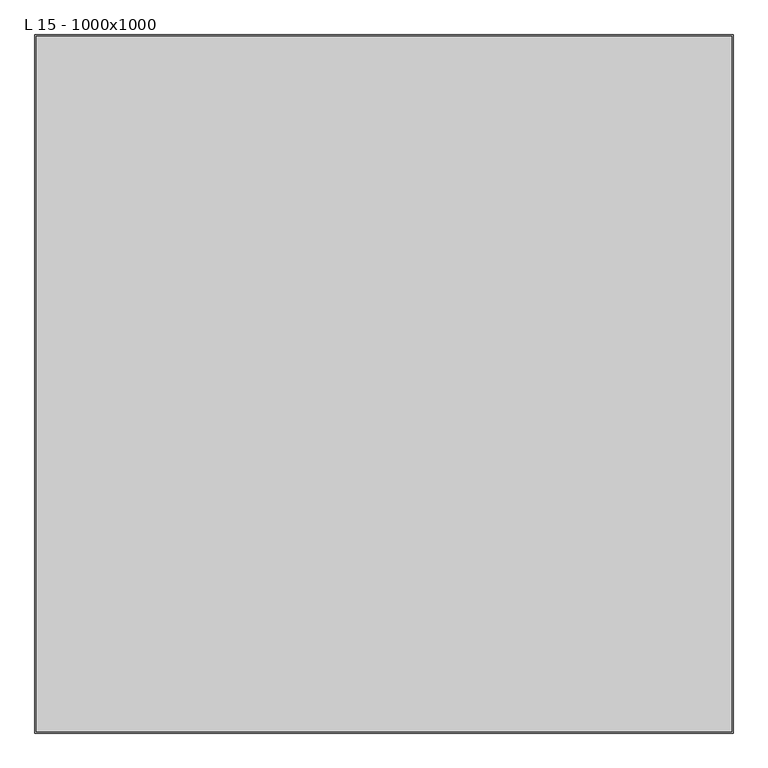
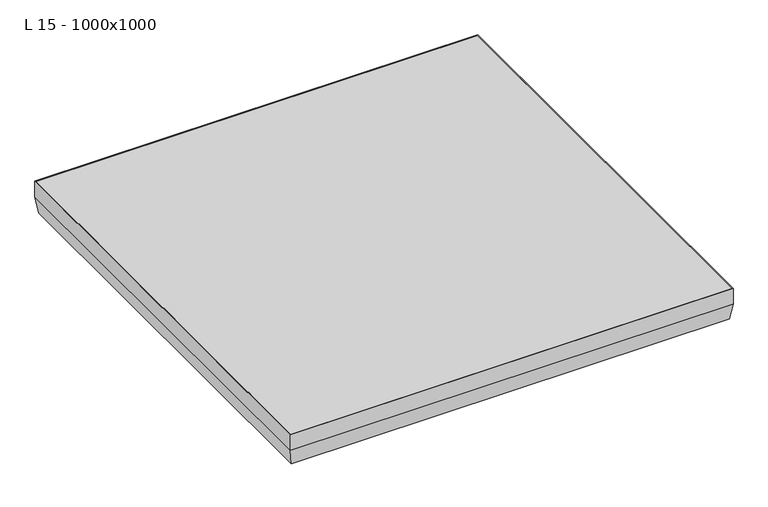
"""IFC4 building model written with IfcOpenShell, lengths in millimetres: proxy geometry, L 15 - 1000x1000."""

import ifcopenshell
import ifcopenshell.guid

model = None  # the IFC model being written
_history = None  # IfcOwnerHistory: only IFC2X3 demands one
_inside = {}  # id of a spatial element -> (the spatial element, [elements in it])
_under = {}  # id of a project, library or spatial element -> (it, [spatial elements below it])
_declared = {}  # id of a project -> (the project, [libraries it declares])
_typed = {}  # id of a type object -> (the type object, [elements of that type])
_made_of = {}  # id of a material, layer set ... -> (it, [elements and type objects made of it])


def new_model(schema):
    """Start an empty IFC model of exactly this schema.

    Asked for "IFC4X3", IfcOpenShell would pick the latest addendum, in which some entities
    have other attributes; the version numbers below select the first issue.
    IFC2X3 requires an IfcOwnerHistory on every rooted entity: one is made here for all.
    """
    global model, _history
    if schema == "IFC4X3":
        model = ifcopenshell.file(schema_version=(4, 3, 0, 0))
    else:
        model = ifcopenshell.file(schema=schema)
    _inside.clear()
    _under.clear()
    _declared.clear()
    _typed.clear()
    _made_of.clear()
    _history = None
    if model.schema == "IFC2X3":
        org = make("IfcOrganization", Name="unknown")
        user = make(
            "IfcPersonAndOrganization",
            ThePerson=make("IfcPerson", FamilyName="unknown"),
            TheOrganization=org,
        )
        app = make(
            "IfcApplication",
            ApplicationDeveloper=org,
            Version="unknown",
            ApplicationFullName="unknown",
            ApplicationIdentifier="unknown",
        )
        _history = make(
            "IfcOwnerHistory",
            OwningUser=user,
            OwningApplication=app,
            ChangeAction="ADDED",
            CreationDate=0,
        )
    return model


def make(cls, **values):
    """One entity of the class cls with the attributes given. An attribute that is None is left unset."""
    return model.create_entity(
        cls, **{name: value for name, value in values.items() if value is not None}
    )


def rooted(cls, **values):
    """An entity with a GlobalId (a new one), such as an element, a storey or a relation."""
    return make(cls, GlobalId=ifcopenshell.guid.new(), OwnerHistory=_history, **values)


def si_unit(unit_type, name, prefix=None):
    """IfcSIUnit, for example si_unit("LENGTHUNIT", "METRE", prefix="MILLI")."""
    return make("IfcSIUnit", UnitType=unit_type, Prefix=prefix, Name=name)


def assignment(units):
    """IfcUnitAssignment: the units of a project."""
    return None if units is None else make("IfcUnitAssignment", Units=units)


def point(xyz):
    """IfcCartesianPoint."""
    return None if xyz is None else make("IfcCartesianPoint", Coordinates=xyz)


def direction(xyz):
    """IfcDirection."""
    return None if xyz is None else make("IfcDirection", DirectionRatios=xyz)


def frame(location, z_axis=None, x_axis=None):
    """IfcAxis2Placement3D, a coordinate frame: its origin and axes. An axis left out is left unset."""
    return make(
        "IfcAxis2Placement3D",
        Location=point(location),
        Axis=direction(z_axis),
        RefDirection=direction(x_axis),
    )


def origin():
    """The frame at (0, 0, 0) with its axes left unset."""
    return frame((0.0, 0.0, 0.0))


def place(relative_to, where):
    """IfcLocalPlacement: puts the frame where relative to a parent placement (None: the world)."""
    return make(
        "IfcLocalPlacement", PlacementRelTo=relative_to, RelativePlacement=where
    )


def context(
    kind, dimensions, precision=None, world=None, true_north=None, identifier=None
):
    """IfcGeometricRepresentationContext, for example the 3D "Model" context."""
    return make(
        "IfcGeometricRepresentationContext",
        ContextIdentifier=identifier,
        ContextType=kind,
        CoordinateSpaceDimension=dimensions,
        Precision=precision,
        WorldCoordinateSystem=world,
        TrueNorth=true_north,
    )


def project(units=None, contexts=None):
    """IfcProject with its units and contexts."""
    return rooted(
        "IfcProject",
        Name="project",
        RepresentationContexts=contexts,
        UnitsInContext=assignment(units),
    )


def spatial(cls, under=None, at=None, **own):
    """A site, building, storey or space (cls), placed at a placement, below another one or the project."""
    s = rooted(cls, ObjectPlacement=at, **own)
    if under is not None:
        _under.setdefault(under.id(), (under, []))[1].append(s)
    return s


def polyline(points):
    """IfcPolyline through the points."""
    return make("IfcPolyline", Points=[point(p) for p in points])


def outline(outer, holes=None, kind="AREA"):
    """IfcArbitraryClosedProfileDef: a profile drawn as a closed curve; with holes, ...WithVoids."""
    if holes is None:
        return make("IfcArbitraryClosedProfileDef", ProfileType=kind, OuterCurve=outer)
    return make(
        "IfcArbitraryProfileDefWithVoids",
        ProfileType=kind,
        OuterCurve=outer,
        InnerCurves=holes,
    )


def extrude(swept, where, along, depth):
    """IfcExtrudedAreaSolid: the profile swept, set in the frame where, extruded along a direction by depth."""
    return make(
        "IfcExtrudedAreaSolid",
        SweptArea=swept,
        Position=where,
        ExtrudedDirection=direction(along),
        Depth=depth,
    )


def faces_of(points, faces, orient=None, outer=None):
    """IfcFace entities. A face is a list of loops; a loop is a list of indices into points, from 0.

    orient and outer hold one flag for each loop. By default every Orientation is true, the
    first loop of a face is its IfcFaceOuterBound and the others are IfcFaceBound.
    """
    made = []
    for i, loops in enumerate(faces):
        bounds = []
        for j, loop in enumerate(loops):
            is_outer = j == 0 if outer is None else outer[i][j]
            bounds.append(
                make(
                    "IfcFaceOuterBound" if is_outer else "IfcFaceBound",
                    Bound=make("IfcPolyLoop", Polygon=[points[k] for k in loop]),
                    Orientation=True if orient is None else orient[i][j],
                )
            )
        made.append(make("IfcFace", Bounds=bounds))
    return made


def faceted_brep(points, faces, orient=None, outer=None, voids=None):
    """IfcFacetedBrep: a solid bounded by flat faces; with voids (closed shells), ...WithVoids."""
    shared = [point(p) for p in points]
    hull = make("IfcClosedShell", CfsFaces=faces_of(shared, faces, orient, outer))
    if voids is None:
        return make("IfcFacetedBrep", Outer=hull)
    return make(
        "IfcFacetedBrepWithVoids",
        Outer=hull,
        Voids=[
            make(cls, CfsFaces=faces_of(shared, fs, o, b)) for cls, fs, o, b in voids
        ],
    )


def shape(context_of_items, identifier, shape_type, items):
    """IfcShapeRepresentation: the items that make up one representation, for example the "Body"."""
    return make(
        "IfcShapeRepresentation",
        ContextOfItems=context_of_items,
        RepresentationIdentifier=identifier,
        RepresentationType=shape_type,
        Items=items,
    )


def source(mapping_origin, context_of_items, identifier, shape_type, items):
    """IfcRepresentationMap: a shape defined once, which mapped items show again and again."""
    return make(
        "IfcRepresentationMap",
        MappingOrigin=mapping_origin,
        MappedRepresentation=shape(context_of_items, identifier, shape_type, items),
    )


def transform(
    local_origin,
    x_axis=None,
    y_axis=None,
    z_axis=None,
    scale=None,
    scale2=None,
    scale3=None,
    uniform=True,
):
    """IfcCartesianTransformationOperator3D, or its non-uniform kind. x_axis, y_axis, z_axis: its Axis1, 2, 3."""
    if uniform:
        return make(
            "IfcCartesianTransformationOperator3D",
            Axis1=direction(x_axis),
            Axis2=direction(y_axis),
            LocalOrigin=point(local_origin),
            Scale=scale,
            Axis3=direction(z_axis),
        )
    return make(
        "IfcCartesianTransformationOperator3DnonUniform",
        Axis1=direction(x_axis),
        Axis2=direction(y_axis),
        LocalOrigin=point(local_origin),
        Scale=scale,
        Axis3=direction(z_axis),
        Scale2=scale2,
        Scale3=scale3,
    )


def mapped(mapping_source, mapping_target):
    """IfcMappedItem: shows the shape of a source again, moved by a transform."""
    return make(
        "IfcMappedItem", MappingSource=mapping_source, MappingTarget=mapping_target
    )


def made_of(thing, what):
    """Note that an element or type object is made of a material, layer set ...; save() writes the relation."""
    if what is not None:
        _made_of.setdefault(what.id(), (what, []))[1].append(thing)
    return thing


def element(
    cls,
    number,
    at=None,
    inside=None,
    cuts=None,
    type_object=None,
    material=None,
    context=None,
    identifier="Body",
    shape_type=None,
    held_by="IfcProductDefinitionShape",
    body=None,
    shapes=None,
    **own,
):
    """One element of the class cls, such as IfcWall. Its Tag is "e" and its number.

    at: its placement. inside: the storey or other place that contains it. cuts: it is an
    opening in that element (IfcRelVoidsElement). A single representation is given by context,
    identifier, shape_type and body (its items); several are given by shapes. held_by: the class
    of the entity that holds the representations. save() writes the other relations.
    """
    e = rooted(cls, Tag="e%d" % number, ObjectPlacement=at, **own)
    if body is not None:
        shapes = [shape(context, identifier, shape_type, body)]
    if shapes is not None:
        e.Representation = make(held_by, Representations=shapes)
    if inside is not None:
        _inside.setdefault(inside.id(), (inside, []))[1].append(e)
    if cuts is not None:
        rooted(
            "IfcRelVoidsElement", RelatingBuildingElement=cuts, RelatedOpeningElement=e
        )
    if type_object is not None:
        _typed.setdefault(type_object.id(), (type_object, []))[1].append(e)
    return made_of(e, material)


def aggregate(whole, parts):
    """IfcRelAggregates: a whole, such as a stair, and the parts it consists of."""
    return rooted("IfcRelAggregates", RelatingObject=whole, RelatedObjects=parts)


def save(model, path):
    """Write the relations noted so far, then the file.

    IfcRelAggregates (storeys below a building ...), IfcRelContainedInSpatialStructure (elements
    in a storey), IfcRelDefinesByType, IfcRelAssociatesMaterial and IfcRelDeclares: one each for
    every whole, place, type object, material and project.
    """
    for whole, parts in _under.values():
        aggregate(whole, parts)
    for where, things in _inside.values():
        rooted(
            "IfcRelContainedInSpatialStructure",
            RelatedElements=things,
            RelatingStructure=where,
        )
    for kind, things in _typed.values():
        rooted("IfcRelDefinesByType", RelatedObjects=things, RelatingType=kind)
    for what, things in _made_of.values():
        rooted("IfcRelAssociatesMaterial", RelatedObjects=things, RelatingMaterial=what)
    for by, libraries in _declared.values():
        rooted("IfcRelDeclares", RelatingContext=by, RelatedDefinitions=libraries)
    model.write(path)


def l_15_1000x1000_f035bd7f(model_context):
    return source(origin(), model_context, "Body", "SolidModel", [
        extrude(outline(polyline([(488.0, 488.0), (488.0, -488.0), (-488.0, -488.0), (-488.0, 488.0), (488.0, 488.0)])), frame((0.0, 0.0, -95.0), z_axis=(0.0, 0.0, 1.0), x_axis=(1.0, 0.0, 0.0)), (0.0, 0.0, 1.0), 25.0),
        faceted_brep([(472.0, 472.0, -95.0), (472.0, 472.0, -97.0), (472.0, -472.0, -97.0), (472.0, -472.0, -95.0), (488.0, 488.0, -70.0), (488.0, 488.0, -95.0), (488.0, -488.0, -95.0), (488.0, -488.0, -70.0), (490.0, 490.0, -97.0), (490.0, 490.0, -70.0), (490.0, -490.0, -70.0), (490.0, -490.0, -97.0), (-472.0, -472.0, -97.0), (-472.0, -472.0, -95.0), (-488.0, -488.0, -95.0), (-488.0, -488.0, -70.0), (-490.0, -490.0, -70.0), (-490.0, -490.0, -97.0), (-472.0, 472.0, -97.0), (-472.0, 472.0, -95.0), (-488.0, 488.0, -95.0), (-488.0, 488.0, -70.0), (-490.0, 490.0, -70.0), (-490.0, 490.0, -97.0)], [[[0, 1, 2, 3]], [[4, 5, 6, 7]], [[8, 9, 10, 11]], [[3, 2, 12, 13]], [[7, 6, 14, 15]], [[11, 10, 16, 17]], [[13, 12, 18, 19]], [[15, 14, 20, 21]], [[17, 16, 22, 23]], [[11, 17, 23, 8], [1, 18, 12, 2]], [[19, 18, 1, 0]], [[5, 20, 14, 6], [3, 13, 19, 0]], [[21, 20, 5, 4]], [[9, 22, 16, 10], [7, 15, 21, 4]], [[23, 22, 9, 8]]]),
        extrude(outline(polyline([(500.0, 500.0), (500.0, -500.0), (-500.0, -500.0), (-500.0, 500.0), (500.0, 500.0)])), frame((0.0, 0.0, -70.0), z_axis=(0.0, 0.0, 1.0), x_axis=(1.0, 0.0, 0.0)), (0.0, 0.0, 1.0), 2.0),
        extrude(outline(polyline([(552.9610723, 552.9610723), (552.9610723, -552.9610723), (-552.9610723, -552.9610723), (-552.9610723, 552.9610723), (552.9610723, 552.9610723)])), frame((0.0, 0.0, -5.0), z_axis=(0.0, 0.0, 1.0), x_axis=(1.0, 0.0, 0.0)), (0.0, 0.0, 1.0), 5.0),
        faceted_brep([(552.9610723, 552.9610723, 0.0), (552.9610723, 552.9610723, -41.196546), (552.9610723, -552.9610723, -41.196546), (552.9610723, -552.9610723, 0.0), (554.9610723, 554.9610723, -41.3363997), (554.9610723, 554.9610723, 0.0), (554.9610723, -554.9610723, 0.0), (554.9610723, -554.9610723, -41.3363997), (-552.9610723, -552.9610723, -41.196546), (-552.9610723, -552.9610723, 0.0), (-554.9610723, -554.9610723, 0.0), (-554.9610723, -554.9610723, -41.3363997), (-552.9610723, 552.9610723, -41.196546), (-552.9610723, 552.9610723, 0.0), (-554.9610723, 554.9610723, 0.0), (-554.9610723, 554.9610723, -41.3363997), (547.3587115, 547.3587115, -80.5), (547.3587115, -547.3587115, -80.5), (-547.3587115, -547.3587115, -80.5), (-547.3587115, 547.3587115, -80.5), (500.0, -500.0, -80.5), (-500.0, -500.0, -80.5), (-500.0, 500.0, -80.5), (500.0, 500.0, -80.5), (549.0972849, 549.0972849, -82.5), (549.0972849, -549.0972849, -82.5), (-549.0972849, -549.0972849, -82.5), (-549.0972849, 549.0972849, -82.5), (502.0, 502.0, -82.5), (-502.0, 502.0, -82.5), (-502.0, -502.0, -82.5), (502.0, -502.0, -82.5), (502.0, 502.0, -98.5), (502.0, -502.0, -98.5), (500.0, 500.0, -98.5), (500.0, -500.0, -98.5), (-502.0, -502.0, -98.5), (-500.0, -500.0, -98.5), (-502.0, 502.0, -98.5), (-500.0, 500.0, -98.5)], [[[0, 1, 2, 3]], [[4, 5, 6, 7]], [[3, 2, 8, 9]], [[7, 6, 10, 11]], [[9, 8, 12, 13]], [[11, 10, 14, 15]], [[13, 12, 1, 0]], [[5, 14, 10, 6], [3, 9, 13, 0]], [[15, 14, 5, 4]], [[1, 16, 17, 2]], [[2, 17, 18, 8]], [[8, 18, 19, 12]], [[16, 19, 18, 17], [20, 21, 22, 23]], [[12, 19, 16, 1]], [[24, 4, 7, 25]], [[25, 7, 11, 26]], [[26, 11, 15, 27]], [[27, 15, 4, 24]], [[25, 26, 27, 24], [28, 29, 30, 31]], [[32, 28, 31, 33]], [[23, 34, 35, 20]], [[33, 31, 30, 36]], [[20, 35, 37, 21]], [[36, 30, 29, 38]], [[21, 37, 39, 22]], [[38, 29, 28, 32]], [[33, 36, 38, 32], [34, 39, 37, 35]], [[22, 39, 34, 23]]]),
    ])


if __name__ == "__main__":
    model = new_model("IFC4")
    model_context = context("Model", 3, world=origin())
    ifc_project = project(units=[si_unit("LENGTHUNIT", "METRE", prefix="MILLI")], contexts=[model_context])
    site = spatial("IfcSite", under=ifc_project)
    building = spatial("IfcBuilding", under=site)
    placement = place(None, origin())
    l_15_1000x1000_shape = l_15_1000x1000_f035bd7f(model_context)
    element("IfcBuildingElementProxy", 1, Name="L 15 - 1000x1000", ObjectType="L 15 - 1000x1000", at=placement, inside=building, context=model_context, shape_type="MappedRepresentation", body=[
        mapped(l_15_1000x1000_shape, transform((0.0, 0.0, 0.0), x_axis=(1.0, 0.0, 0.0), y_axis=(0.0, 1.0, 0.0), z_axis=(0.0, 0.0, 1.0))),
    ])
    save(model, "model.ifc")
